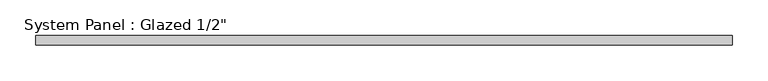
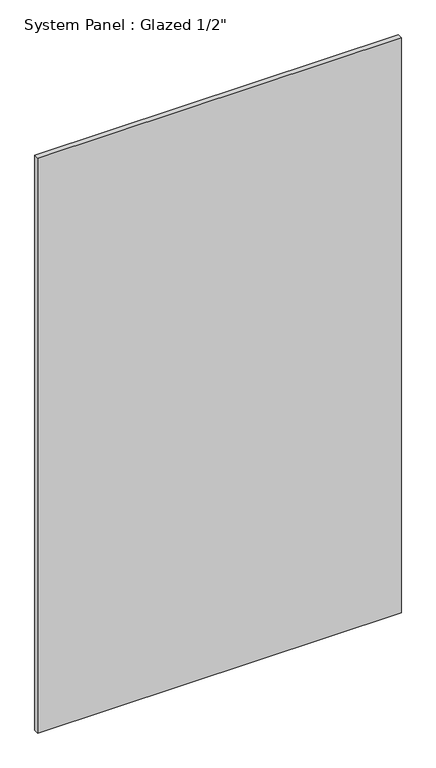
"""IFC4 building model written with IfcOpenShell, lengths in millimetres: plate geometry."""

from ifc_helpers import new_model, si_unit, origin, origin_with_axes, place, context, project, spatial, polyline, outline, extrude, source, transform, mapped, element, save


def plate_3e0c8611(model_context):
    return source(origin(), model_context, "Body", "SweptSolid", [
        extrude(outline(polyline([(484.7166667, -6.35), (-484.7166667, -6.35), (-484.7166667, 6.35), (484.7166667, 6.35), (484.7166667, -6.35)])), origin_with_axes(), (0.0, 0.0, 1.0), 1619.25),
    ])


if __name__ == "__main__":
    model = new_model("IFC4")
    model_context = context("Model", 3, world=origin())
    ifc_project = project(units=[si_unit("LENGTHUNIT", "METRE", prefix="MILLI")], contexts=[model_context])
    site = spatial("IfcSite", under=ifc_project)
    building = spatial("IfcBuilding", under=site)
    placement = place(None, origin())
    plate_shape = plate_3e0c8611(model_context)
    element("IfcPlate", 1, ObjectType="System Panel : Glazed 1/2\"", at=placement, inside=building, context=model_context, shape_type="MappedRepresentation", body=[
        mapped(plate_shape, transform((0.0, 0.0, 0.0), x_axis=(1.0, 0.0, 0.0), y_axis=(0.0, 1.0, 0.0), z_axis=(0.0, 0.0, 1.0))),
    ])
    save(model, "model.ifc")
